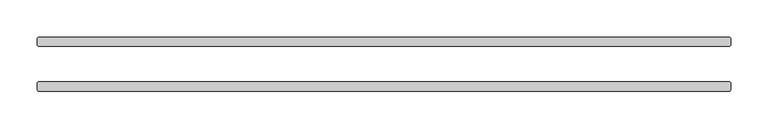
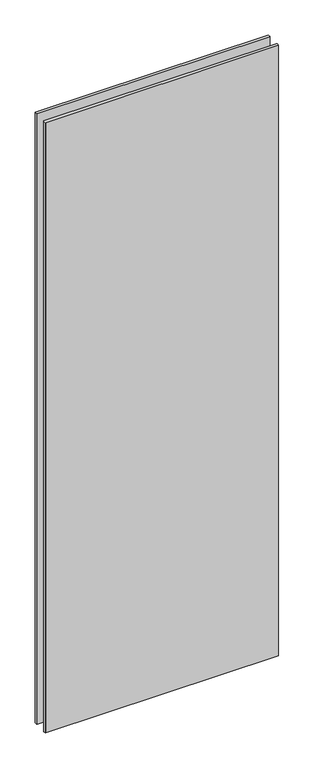
"""IFC4 building model written with IfcOpenShell, lengths in millimetres: plate geometry."""

from ifc_helpers import new_model, si_unit, origin, origin_with_axes, place, context, project, spatial, polyline, outline, extrude, source, transform, mapped, element, save


def plate_a0162d8e(model_context):
    return source(origin(), model_context, "Body", "SweptSolid", [
        extrude(outline(polyline([(466.725, -23.8125), (468.3125, -25.4), (468.3125, -34.925), (466.725, -36.5125), (-466.725, -36.5125), (-468.3125, -34.925), (-468.3125, -25.4), (-466.725, -23.8125), (466.725, -23.8125)])), origin_with_axes(), (0.0, 0.0, 1.0), 2586.0375),
        extrude(outline(polyline([(466.725, 36.5125), (468.3125, 34.925), (468.3125, 25.4), (466.725, 23.8125), (-466.725, 23.8125), (-468.3125, 25.4), (-468.3125, 34.925), (-466.725, 36.5125), (466.725, 36.5125)])), origin_with_axes(), (0.0, 0.0, 1.0), 2586.0375),
    ])


if __name__ == "__main__":
    model = new_model("IFC4")
    model_context = context("Model", 3, world=origin())
    ifc_project = project(units=[si_unit("LENGTHUNIT", "METRE", prefix="MILLI")], contexts=[model_context])
    site = spatial("IfcSite", under=ifc_project)
    building = spatial("IfcBuilding", under=site)
    placement = place(None, origin())
    plate_shape = plate_a0162d8e(model_context)
    element("IfcPlate", 1, at=placement, inside=building, context=model_context, shape_type="MappedRepresentation", body=[
        mapped(plate_shape, transform((0.0, 0.0, 0.0), x_axis=(1.0, 0.0, 0.0), y_axis=(0.0, 1.0, 0.0), z_axis=(0.0, 0.0, 1.0))),
    ])
    save(model, "model.ifc")
